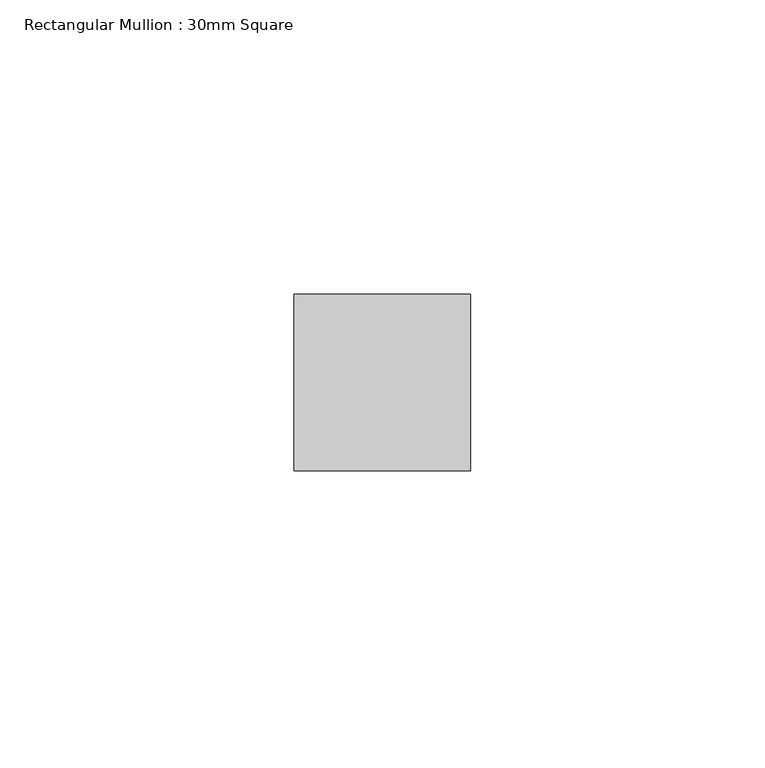
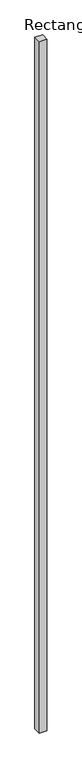
"""IFC4 building model written with IfcOpenShell, lengths in millimetres: member geometry, Rectangular Mullion : 30mm Square."""

from ifc_helpers import new_model, si_unit, frame, origin, place, context, project, spatial, polyline, outline, extrude, source, transform, mapped, element, save


def rectangular_mullion_30mm_square_c9dce446(model_context):
    return source(origin(), model_context, "Body", "SweptSolid", [
        extrude(outline(polyline([(15.0, 15.0), (15.0, -15.0), (-15.0, -15.0), (-15.0, 15.0), (15.0, 15.0)])), frame((0.0, 0.0, -2880.0), z_axis=(0.0, 0.0, 1.0), x_axis=(1.0, 0.0, 0.0)), (0.0, 0.0, 1.0), 2880.0),
    ])


if __name__ == "__main__":
    model = new_model("IFC4")
    model_context = context("Model", 3, world=origin())
    ifc_project = project(units=[si_unit("LENGTHUNIT", "METRE", prefix="MILLI")], contexts=[model_context])
    site = spatial("IfcSite", under=ifc_project)
    building = spatial("IfcBuilding", under=site)
    placement = place(None, origin())
    rectangular_mullion_30mm_square_shape = rectangular_mullion_30mm_square_c9dce446(model_context)
    element("IfcMember", 1, ObjectType="Rectangular Mullion : 30mm Square", at=placement, inside=building, context=model_context, shape_type="MappedRepresentation", body=[
        mapped(rectangular_mullion_30mm_square_shape, transform((0.0, 0.0, 0.0), x_axis=(1.0, 0.0, 0.0), y_axis=(0.0, 1.0, 0.0), z_axis=(0.0, 0.0, 1.0))),
    ])
    save(model, "model.ifc")
